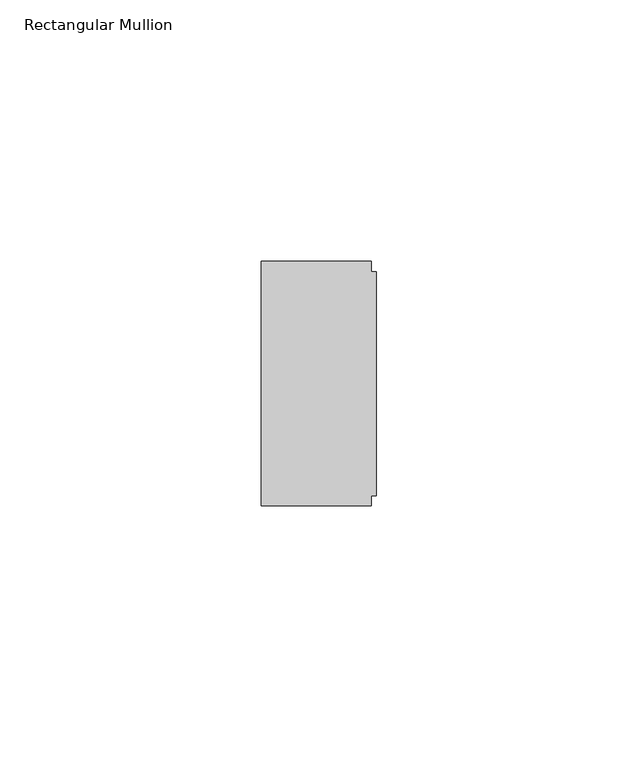
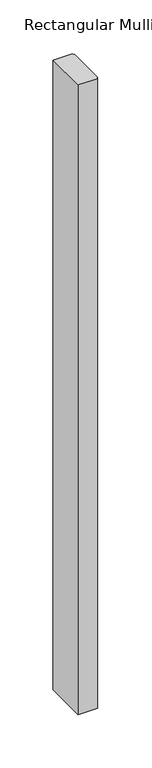
"""IFC4 building model written with IfcOpenShell, lengths in millimetres: member geometry, Rectangular Mullion."""

import ifcopenshell
import ifcopenshell.guid

model = None  # the IFC model being written
_history = None  # IfcOwnerHistory: only IFC2X3 demands one
_inside = {}  # id of a spatial element -> (the spatial element, [elements in it])
_under = {}  # id of a project, library or spatial element -> (it, [spatial elements below it])
_declared = {}  # id of a project -> (the project, [libraries it declares])
_typed = {}  # id of a type object -> (the type object, [elements of that type])
_made_of = {}  # id of a material, layer set ... -> (it, [elements and type objects made of it])


def new_model(schema):
    """Start an empty IFC model of exactly this schema.

    Asked for "IFC4X3", IfcOpenShell would pick the latest addendum, in which some entities
    have other attributes; the version numbers below select the first issue.
    IFC2X3 requires an IfcOwnerHistory on every rooted entity: one is made here for all.
    """
    global model, _history
    if schema == "IFC4X3":
        model = ifcopenshell.file(schema_version=(4, 3, 0, 0))
    else:
        model = ifcopenshell.file(schema=schema)
    _inside.clear()
    _under.clear()
    _declared.clear()
    _typed.clear()
    _made_of.clear()
    _history = None
    if model.schema == "IFC2X3":
        org = make("IfcOrganization", Name="unknown")
        user = make(
            "IfcPersonAndOrganization",
            ThePerson=make("IfcPerson", FamilyName="unknown"),
            TheOrganization=org,
        )
        app = make(
            "IfcApplication",
            ApplicationDeveloper=org,
            Version="unknown",
            ApplicationFullName="unknown",
            ApplicationIdentifier="unknown",
        )
        _history = make(
            "IfcOwnerHistory",
            OwningUser=user,
            OwningApplication=app,
            ChangeAction="ADDED",
            CreationDate=0,
        )
    return model


def make(cls, **values):
    """One entity of the class cls with the attributes given. An attribute that is None is left unset."""
    return model.create_entity(
        cls, **{name: value for name, value in values.items() if value is not None}
    )


def rooted(cls, **values):
    """An entity with a GlobalId (a new one), such as an element, a storey or a relation."""
    return make(cls, GlobalId=ifcopenshell.guid.new(), OwnerHistory=_history, **values)


def si_unit(unit_type, name, prefix=None):
    """IfcSIUnit, for example si_unit("LENGTHUNIT", "METRE", prefix="MILLI")."""
    return make("IfcSIUnit", UnitType=unit_type, Prefix=prefix, Name=name)


def assignment(units):
    """IfcUnitAssignment: the units of a project."""
    return None if units is None else make("IfcUnitAssignment", Units=units)


def point(xyz):
    """IfcCartesianPoint."""
    return None if xyz is None else make("IfcCartesianPoint", Coordinates=xyz)


def direction(xyz):
    """IfcDirection."""
    return None if xyz is None else make("IfcDirection", DirectionRatios=xyz)


def frame(location, z_axis=None, x_axis=None):
    """IfcAxis2Placement3D, a coordinate frame: its origin and axes. An axis left out is left unset."""
    return make(
        "IfcAxis2Placement3D",
        Location=point(location),
        Axis=direction(z_axis),
        RefDirection=direction(x_axis),
    )


def origin():
    """The frame at (0, 0, 0) with its axes left unset."""
    return frame((0.0, 0.0, 0.0))


def place(relative_to, where):
    """IfcLocalPlacement: puts the frame where relative to a parent placement (None: the world)."""
    return make(
        "IfcLocalPlacement", PlacementRelTo=relative_to, RelativePlacement=where
    )


def context(
    kind, dimensions, precision=None, world=None, true_north=None, identifier=None
):
    """IfcGeometricRepresentationContext, for example the 3D "Model" context."""
    return make(
        "IfcGeometricRepresentationContext",
        ContextIdentifier=identifier,
        ContextType=kind,
        CoordinateSpaceDimension=dimensions,
        Precision=precision,
        WorldCoordinateSystem=world,
        TrueNorth=true_north,
    )


def project(units=None, contexts=None):
    """IfcProject with its units and contexts."""
    return rooted(
        "IfcProject",
        Name="project",
        RepresentationContexts=contexts,
        UnitsInContext=assignment(units),
    )


def spatial(cls, under=None, at=None, **own):
    """A site, building, storey or space (cls), placed at a placement, below another one or the project."""
    s = rooted(cls, ObjectPlacement=at, **own)
    if under is not None:
        _under.setdefault(under.id(), (under, []))[1].append(s)
    return s


def polyline(points):
    """IfcPolyline through the points."""
    return make("IfcPolyline", Points=[point(p) for p in points])


def outline(outer, holes=None, kind="AREA"):
    """IfcArbitraryClosedProfileDef: a profile drawn as a closed curve; with holes, ...WithVoids."""
    if holes is None:
        return make("IfcArbitraryClosedProfileDef", ProfileType=kind, OuterCurve=outer)
    return make(
        "IfcArbitraryProfileDefWithVoids",
        ProfileType=kind,
        OuterCurve=outer,
        InnerCurves=holes,
    )


def extrude(swept, where, along, depth):
    """IfcExtrudedAreaSolid: the profile swept, set in the frame where, extruded along a direction by depth."""
    return make(
        "IfcExtrudedAreaSolid",
        SweptArea=swept,
        Position=where,
        ExtrudedDirection=direction(along),
        Depth=depth,
    )


def shape(context_of_items, identifier, shape_type, items):
    """IfcShapeRepresentation: the items that make up one representation, for example the "Body"."""
    return make(
        "IfcShapeRepresentation",
        ContextOfItems=context_of_items,
        RepresentationIdentifier=identifier,
        RepresentationType=shape_type,
        Items=items,
    )


def source(mapping_origin, context_of_items, identifier, shape_type, items):
    """IfcRepresentationMap: a shape defined once, which mapped items show again and again."""
    return make(
        "IfcRepresentationMap",
        MappingOrigin=mapping_origin,
        MappedRepresentation=shape(context_of_items, identifier, shape_type, items),
    )


def transform(
    local_origin,
    x_axis=None,
    y_axis=None,
    z_axis=None,
    scale=None,
    scale2=None,
    scale3=None,
    uniform=True,
):
    """IfcCartesianTransformationOperator3D, or its non-uniform kind. x_axis, y_axis, z_axis: its Axis1, 2, 3."""
    if uniform:
        return make(
            "IfcCartesianTransformationOperator3D",
            Axis1=direction(x_axis),
            Axis2=direction(y_axis),
            LocalOrigin=point(local_origin),
            Scale=scale,
            Axis3=direction(z_axis),
        )
    return make(
        "IfcCartesianTransformationOperator3DnonUniform",
        Axis1=direction(x_axis),
        Axis2=direction(y_axis),
        LocalOrigin=point(local_origin),
        Scale=scale,
        Axis3=direction(z_axis),
        Scale2=scale2,
        Scale3=scale3,
    )


def mapped(mapping_source, mapping_target):
    """IfcMappedItem: shows the shape of a source again, moved by a transform."""
    return make(
        "IfcMappedItem", MappingSource=mapping_source, MappingTarget=mapping_target
    )


def made_of(thing, what):
    """Note that an element or type object is made of a material, layer set ...; save() writes the relation."""
    if what is not None:
        _made_of.setdefault(what.id(), (what, []))[1].append(thing)
    return thing


def element(
    cls,
    number,
    at=None,
    inside=None,
    cuts=None,
    type_object=None,
    material=None,
    context=None,
    identifier="Body",
    shape_type=None,
    held_by="IfcProductDefinitionShape",
    body=None,
    shapes=None,
    **own,
):
    """One element of the class cls, such as IfcWall. Its Tag is "e" and its number.

    at: its placement. inside: the storey or other place that contains it. cuts: it is an
    opening in that element (IfcRelVoidsElement). A single representation is given by context,
    identifier, shape_type and body (its items); several are given by shapes. held_by: the class
    of the entity that holds the representations. save() writes the other relations.
    """
    e = rooted(cls, Tag="e%d" % number, ObjectPlacement=at, **own)
    if body is not None:
        shapes = [shape(context, identifier, shape_type, body)]
    if shapes is not None:
        e.Representation = make(held_by, Representations=shapes)
    if inside is not None:
        _inside.setdefault(inside.id(), (inside, []))[1].append(e)
    if cuts is not None:
        rooted(
            "IfcRelVoidsElement", RelatingBuildingElement=cuts, RelatedOpeningElement=e
        )
    if type_object is not None:
        _typed.setdefault(type_object.id(), (type_object, []))[1].append(e)
    return made_of(e, material)


def aggregate(whole, parts):
    """IfcRelAggregates: a whole, such as a stair, and the parts it consists of."""
    return rooted("IfcRelAggregates", RelatingObject=whole, RelatedObjects=parts)


def save(model, path):
    """Write the relations noted so far, then the file.

    IfcRelAggregates (storeys below a building ...), IfcRelContainedInSpatialStructure (elements
    in a storey), IfcRelDefinesByType, IfcRelAssociatesMaterial and IfcRelDeclares: one each for
    every whole, place, type object, material and project.
    """
    for whole, parts in _under.values():
        aggregate(whole, parts)
    for where, things in _inside.values():
        rooted(
            "IfcRelContainedInSpatialStructure",
            RelatedElements=things,
            RelatingStructure=where,
        )
    for kind, things in _typed.values():
        rooted("IfcRelDefinesByType", RelatedObjects=things, RelatingType=kind)
    for what, things in _made_of.values():
        rooted("IfcRelAssociatesMaterial", RelatedObjects=things, RelatingMaterial=what)
    for by, libraries in _declared.values():
        rooted("IfcRelDeclares", RelatingContext=by, RelatedDefinitions=libraries)
    model.write(path)


def rectangular_mullion_11308ba6(model_context):
    return source(origin(), model_context, "Body", "SweptSolid", [
        extrude(outline(polyline([(-1.0, 23.4), (-1.0, 21.4), (0.0, 21.4), (0.0, -21.4), (-1.0, -21.4), (-1.0, -23.4), (-22.0, -23.4), (-22.0, 23.4), (-1.0, 23.4)])), frame((0.0, 0.0, -720.0), z_axis=(0.0, 0.0, 1.0), x_axis=(1.0, 0.0, 0.0)), (0.0, 0.0, 1.0), 720.0),
    ])


if __name__ == "__main__":
    model = new_model("IFC4")
    model_context = context("Model", 3, world=origin())
    ifc_project = project(units=[si_unit("LENGTHUNIT", "METRE", prefix="MILLI")], contexts=[model_context])
    site = spatial("IfcSite", under=ifc_project)
    building = spatial("IfcBuilding", under=site)
    placement = place(None, origin())
    rectangular_mullion_shape = rectangular_mullion_11308ba6(model_context)
    element("IfcMember", 1, ObjectType="Rectangular Mullion", at=placement, inside=building, context=model_context, shape_type="MappedRepresentation", body=[
        mapped(rectangular_mullion_shape, transform((0.0, 0.0, 0.0), x_axis=(1.0, 0.0, 0.0), y_axis=(0.0, 1.0, 0.0), z_axis=(0.0, 0.0, 1.0))),
    ])
    save(model, "model.ifc")
